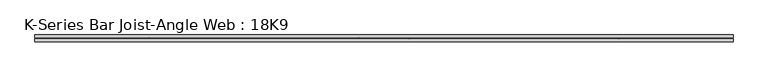
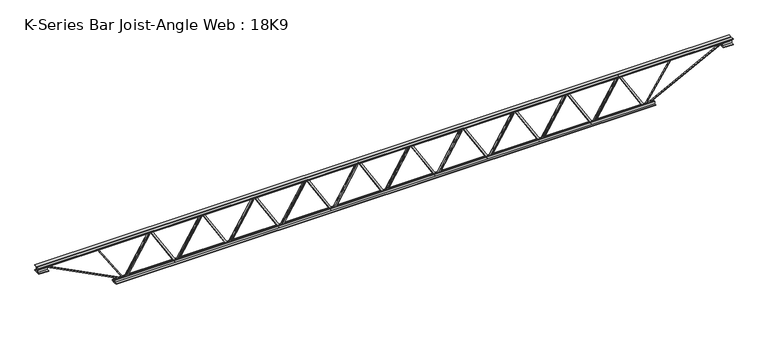
"""IFC4 building model written with IfcOpenShell, lengths in millimetres: beam geometry, K-Series Bar Joist-Angle Web : 18K9."""

from ifc_helpers import new_model, si_unit, frame, origin, place, context, project, spatial, polyline, outline, extrude, faceted_brep, source, transform, mapped, element, save


def k_series_bar_joist_angle_web_18k9_67f9cdf7(model_context):
    return source(origin(), model_context, "Body", "SolidModel", [
        extrude(outline(polyline([(-4.7625, 4.7625), (-4.7625, 0.0), (-17.4625, 0.0), (-17.4625, 4.7625), (-4.7625, 4.7625)])), frame((2161.6836943, 0.0, -190.5), z_axis=(-0.5181902126237499, 0.0, 0.8552653994760651), x_axis=(0.0, -1.0, 0.0)), (0.0, 0.0, 1.0), 445.4757555),
        extrude(outline(polyline([(-225.425, 2194.56), (-206.375, 2194.56), (-206.375, 2193.5758645), (225.425, 1931.9558645), (225.425, 1913.89), (206.375, 1913.89), (206.375, 1921.2241355), (-225.425, 2182.8441355), (-225.425, 2194.56)])), frame((0.0, 0.0, 0.0), z_axis=(0.0, 1.0, 0.0), x_axis=(0.0, 0.0, 1.0)), (0.0, 0.0, 1.0), 4.7625),
        faceted_brep([(1645.92, 0.0, -206.375), (1645.92, 0.0, -225.425), (1645.92, -4.7625, -225.425), (1645.92, -4.7625, -206.375), (1646.9041355, 0.0, -206.375), (1908.5241355, 0.0, 225.425), (1926.59, 0.0, 225.425), (1926.59, 0.0, 206.375), (1919.2558645, 0.0, 206.375), (1657.6358645, 0.0, -225.425), (1657.6358645, -4.7625, -225.425), (1678.7963057, -4.7625, -190.5), (1674.7231042, -4.7625, -188.0321191), (1905.5642807, -4.7625, 192.9678809), (1909.6374821, -4.7625, 190.5), (1919.2558645, -4.7625, 206.375), (1926.59, -4.7625, 206.375), (1926.59, -4.7625, 225.425), (1908.5241355, -4.7625, 225.425), (1646.9041355, -4.7625, -206.375), (1909.6374821, -17.4625, 190.5), (1678.7963057, -17.4625, -190.5), (1674.7231042, -17.4625, -188.0321191), (1905.5642807, -17.4625, 192.9678809)], [[[0, 1, 2, 3]], [[1, 0, 4, 5, 6, 7, 8, 9]], [[2, 1, 9, 10]], [[3, 2, 10, 11, 12, 13, 14, 15, 16, 17, 18, 19]], [[0, 3, 19, 4]], [[9, 8, 15, 14, 20, 21, 11, 10]], [[5, 4, 19, 18]], [[7, 6, 17, 16]], [[8, 7, 16, 15]], [[6, 5, 18, 17]], [[21, 22, 12, 11]], [[20, 14, 13, 23]], [[22, 21, 20, 23]], [[12, 22, 23, 13]]]),
        extrude(outline(polyline([(-4.7625, 4.7625), (-4.7625, 0.0), (-17.4625, 0.0), (-17.4625, 4.7625), (-4.7625, 4.7625)])), frame((1613.0436943, 0.0, -190.5), z_axis=(-0.5181902126237499, 0.0, 0.8552653994760651), x_axis=(0.0, -1.0, 0.0)), (0.0, 0.0, 1.0), 445.4757555),
        extrude(outline(polyline([(-225.425, 1645.92), (-206.375, 1645.92), (-206.375, 1644.9358645), (225.425, 1383.3158645), (225.425, 1365.25), (206.375, 1365.25), (206.375, 1372.5841355), (-225.425, 1634.2041355), (-225.425, 1645.92)])), frame((0.0, 0.0, 0.0), z_axis=(0.0, 1.0, 0.0), x_axis=(0.0, 0.0, 1.0)), (0.0, 0.0, 1.0), 4.7625),
        faceted_brep([(1097.28, 0.0, -206.375), (1097.28, 0.0, -225.425), (1097.28, -4.7625, -225.425), (1097.28, -4.7625, -206.375), (1098.2641355, 0.0, -206.375), (1359.8841355, 0.0, 225.425), (1377.95, 0.0, 225.425), (1377.95, 0.0, 206.375), (1370.6158645, 0.0, 206.375), (1108.9958645, 0.0, -225.425), (1108.9958645, -4.7625, -225.425), (1130.1563057, -4.7625, -190.5), (1126.0831042, -4.7625, -188.0321191), (1356.9242807, -4.7625, 192.9678809), (1360.9974821, -4.7625, 190.5), (1370.6158645, -4.7625, 206.375), (1377.95, -4.7625, 206.375), (1377.95, -4.7625, 225.425), (1359.8841355, -4.7625, 225.425), (1098.2641355, -4.7625, -206.375), (1360.9974821, -17.4625, 190.5), (1130.1563057, -17.4625, -190.5), (1126.0831042, -17.4625, -188.0321191), (1356.9242807, -17.4625, 192.9678809)], [[[0, 1, 2, 3]], [[1, 0, 4, 5, 6, 7, 8, 9]], [[2, 1, 9, 10]], [[3, 2, 10, 11, 12, 13, 14, 15, 16, 17, 18, 19]], [[0, 3, 19, 4]], [[9, 8, 15, 14, 20, 21, 11, 10]], [[5, 4, 19, 18]], [[7, 6, 17, 16]], [[8, 7, 16, 15]], [[6, 5, 18, 17]], [[21, 22, 12, 11]], [[20, 14, 13, 23]], [[22, 21, 20, 23]], [[12, 22, 23, 13]]]),
        extrude(outline(polyline([(-4.7625, 4.7625), (-4.7625, 0.0), (-17.4625, 0.0), (-17.4625, 4.7625), (-4.7625, 4.7625)])), frame((1064.4036943, 0.0, -190.5), z_axis=(-0.5181902126237499, 0.0, 0.8552653994760651), x_axis=(0.0, -1.0, 0.0)), (0.0, 0.0, 1.0), 445.4757555),
        extrude(outline(polyline([(-225.425, 1097.28), (-206.375, 1097.28), (-206.375, 1096.2958645), (225.425, 834.6758645), (225.425, 816.61), (206.375, 816.61), (206.375, 823.9441355), (-225.425, 1085.5641355), (-225.425, 1097.28)])), frame((0.0, 0.0, 0.0), z_axis=(0.0, 1.0, 0.0), x_axis=(0.0, 0.0, 1.0)), (0.0, 0.0, 1.0), 4.7625),
        faceted_brep([(548.64, 0.0, -206.375), (548.64, 0.0, -225.425), (548.64, -4.7625, -225.425), (548.64, -4.7625, -206.375), (549.6241355, 0.0, -206.375), (811.2441355, 0.0, 225.425), (829.31, 0.0, 225.425), (829.31, 0.0, 206.375), (821.9758645, 0.0, 206.375), (560.3558645, 0.0, -225.425), (560.3558645, -4.7625, -225.425), (581.5163057, -4.7625, -190.5), (577.4431042, -4.7625, -188.0321191), (808.2842807, -4.7625, 192.9678809), (812.3574821, -4.7625, 190.5), (821.9758645, -4.7625, 206.375), (829.31, -4.7625, 206.375), (829.31, -4.7625, 225.425), (811.2441355, -4.7625, 225.425), (549.6241355, -4.7625, -206.375), (812.3574821, -17.4625, 190.5), (581.5163057, -17.4625, -190.5), (577.4431042, -17.4625, -188.0321191), (808.2842807, -17.4625, 192.9678809)], [[[0, 1, 2, 3]], [[1, 0, 4, 5, 6, 7, 8, 9]], [[2, 1, 9, 10]], [[3, 2, 10, 11, 12, 13, 14, 15, 16, 17, 18, 19]], [[0, 3, 19, 4]], [[9, 8, 15, 14, 20, 21, 11, 10]], [[5, 4, 19, 18]], [[7, 6, 17, 16]], [[8, 7, 16, 15]], [[6, 5, 18, 17]], [[21, 22, 12, 11]], [[20, 14, 13, 23]], [[22, 21, 20, 23]], [[12, 22, 23, 13]]]),
        extrude(outline(polyline([(-4.7625, 4.7625), (-4.7625, 0.0), (-17.4625, 0.0), (-17.4625, 4.7625), (-4.7625, 4.7625)])), frame((515.7636943, 0.0, -190.5), z_axis=(-0.5181902126237499, 0.0, 0.8552653994760651), x_axis=(0.0, -1.0, 0.0)), (0.0, 0.0, 1.0), 445.4757555),
        extrude(outline(polyline([(-225.425, 548.64), (-206.375, 548.64), (-206.375, 547.6558645), (225.425, 286.0358645), (225.425, 267.97), (206.375, 267.97), (206.375, 275.3041355), (-225.425, 536.9241355), (-225.425, 548.64)])), frame((0.0, 0.0, 0.0), z_axis=(0.0, 1.0, 0.0), x_axis=(0.0, 0.0, 1.0)), (0.0, 0.0, 1.0), 4.7625),
        faceted_brep([(0.0, 0.0, -206.375), (0.0, 0.0, -225.425), (0.0, -4.7625, -225.425), (0.0, -4.7625, -206.375), (0.9841355, 0.0, -206.375), (262.6041355, 0.0, 225.425), (280.67, 0.0, 225.425), (280.67, 0.0, 206.375), (273.3358645, 0.0, 206.375), (11.7158645, 0.0, -225.425), (11.7158645, -4.7625, -225.425), (32.8763057, -4.7625, -190.5), (28.8031042, -4.7625, -188.0321191), (259.6442807, -4.7625, 192.9678809), (263.7174821, -4.7625, 190.5), (273.3358645, -4.7625, 206.375), (280.67, -4.7625, 206.375), (280.67, -4.7625, 225.425), (262.6041355, -4.7625, 225.425), (0.9841355, -4.7625, -206.375), (263.7174821, -17.4625, 190.5), (32.8763057, -17.4625, -190.5), (28.8031042, -17.4625, -188.0321191), (259.6442807, -17.4625, 192.9678809)], [[[0, 1, 2, 3]], [[1, 0, 4, 5, 6, 7, 8, 9]], [[2, 1, 9, 10]], [[3, 2, 10, 11, 12, 13, 14, 15, 16, 17, 18, 19]], [[0, 3, 19, 4]], [[9, 8, 15, 14, 20, 21, 11, 10]], [[5, 4, 19, 18]], [[7, 6, 17, 16]], [[8, 7, 16, 15]], [[6, 5, 18, 17]], [[21, 22, 12, 11]], [[20, 14, 13, 23]], [[22, 21, 20, 23]], [[12, 22, 23, 13]]]),
        extrude(outline(polyline([(-4.7625, 4.7625), (-4.7625, 0.0), (-17.4625, 0.0), (-17.4625, 4.7625), (-4.7625, 4.7625)])), frame((-32.8763057, 0.0, -190.5), z_axis=(-0.5181902126237499, 0.0, 0.8552653994760651), x_axis=(0.0, -1.0, 0.0)), (0.0, 0.0, 1.0), 445.4757555),
        extrude(outline(polyline([(-225.425, 0.0), (-206.375, 0.0), (-206.375, -0.9841355), (225.425, -262.6041355), (225.425, -280.67), (206.375, -280.67), (206.375, -273.3358645), (-225.425, -11.7158645), (-225.425, 0.0)])), frame((0.0, 0.0, 0.0), z_axis=(0.0, 1.0, 0.0), x_axis=(0.0, 0.0, 1.0)), (0.0, 0.0, 1.0), 4.7625),
        faceted_brep([(-548.64, 0.0, -206.375), (-548.64, 0.0, -225.425), (-548.64, -4.7625, -225.425), (-548.64, -4.7625, -206.375), (-547.6558645, 0.0, -206.375), (-286.0358645, 0.0, 225.425), (-267.97, 0.0, 225.425), (-267.97, 0.0, 206.375), (-275.3041355, 0.0, 206.375), (-536.9241355, 0.0, -225.425), (-536.9241355, -4.7625, -225.425), (-515.7636943, -4.7625, -190.5), (-519.8368958, -4.7625, -188.0321191), (-288.9957193, -4.7625, 192.9678809), (-284.9225179, -4.7625, 190.5), (-275.3041355, -4.7625, 206.375), (-267.97, -4.7625, 206.375), (-267.97, -4.7625, 225.425), (-286.0358645, -4.7625, 225.425), (-547.6558645, -4.7625, -206.375), (-284.9225179, -17.4625, 190.5), (-515.7636943, -17.4625, -190.5), (-519.8368958, -17.4625, -188.0321191), (-288.9957193, -17.4625, 192.9678809)], [[[0, 1, 2, 3]], [[1, 0, 4, 5, 6, 7, 8, 9]], [[2, 1, 9, 10]], [[3, 2, 10, 11, 12, 13, 14, 15, 16, 17, 18, 19]], [[0, 3, 19, 4]], [[9, 8, 15, 14, 20, 21, 11, 10]], [[5, 4, 19, 18]], [[7, 6, 17, 16]], [[8, 7, 16, 15]], [[6, 5, 18, 17]], [[21, 22, 12, 11]], [[20, 14, 13, 23]], [[22, 21, 20, 23]], [[12, 22, 23, 13]]]),
        extrude(outline(polyline([(-4.7625, 4.7625), (-4.7625, 0.0), (-17.4625, 0.0), (-17.4625, 4.7625), (-4.7625, 4.7625)])), frame((-581.5163057, 0.0, -190.5), z_axis=(-0.5181902126237499, 0.0, 0.8552653994760651), x_axis=(0.0, -1.0, 0.0)), (0.0, 0.0, 1.0), 445.4757555),
        extrude(outline(polyline([(-225.425, -548.64), (-206.375, -548.64), (-206.375, -549.6241355), (225.425, -811.2441355), (225.425, -829.31), (206.375, -829.31), (206.375, -821.9758645), (-225.425, -560.3558645), (-225.425, -548.64)])), frame((0.0, 0.0, 0.0), z_axis=(0.0, 1.0, 0.0), x_axis=(0.0, 0.0, 1.0)), (0.0, 0.0, 1.0), 4.7625),
        faceted_brep([(-1097.28, 0.0, -206.375), (-1097.28, 0.0, -225.425), (-1097.28, -4.7625, -225.425), (-1097.28, -4.7625, -206.375), (-1096.2958645, 0.0, -206.375), (-834.6758645, 0.0, 225.425), (-816.61, 0.0, 225.425), (-816.61, 0.0, 206.375), (-823.9441355, 0.0, 206.375), (-1085.5641355, 0.0, -225.425), (-1085.5641355, -4.7625, -225.425), (-1064.4036943, -4.7625, -190.5), (-1068.4768958, -4.7625, -188.0321191), (-837.6357193, -4.7625, 192.9678809), (-833.5625179, -4.7625, 190.5), (-823.9441355, -4.7625, 206.375), (-816.61, -4.7625, 206.375), (-816.61, -4.7625, 225.425), (-834.6758645, -4.7625, 225.425), (-1096.2958645, -4.7625, -206.375), (-833.5625179, -17.4625, 190.5), (-1064.4036943, -17.4625, -190.5), (-1068.4768958, -17.4625, -188.0321191), (-837.6357193, -17.4625, 192.9678809)], [[[0, 1, 2, 3]], [[1, 0, 4, 5, 6, 7, 8, 9]], [[2, 1, 9, 10]], [[3, 2, 10, 11, 12, 13, 14, 15, 16, 17, 18, 19]], [[0, 3, 19, 4]], [[9, 8, 15, 14, 20, 21, 11, 10]], [[5, 4, 19, 18]], [[7, 6, 17, 16]], [[8, 7, 16, 15]], [[6, 5, 18, 17]], [[21, 22, 12, 11]], [[20, 14, 13, 23]], [[22, 21, 20, 23]], [[12, 22, 23, 13]]]),
        extrude(outline(polyline([(-4.7625, 4.7625), (-4.7625, 0.0), (-17.4625, 0.0), (-17.4625, 4.7625), (-4.7625, 4.7625)])), frame((-1130.1563057, 0.0, -190.5), z_axis=(-0.5181902126237499, 0.0, 0.8552653994760651), x_axis=(0.0, -1.0, 0.0)), (0.0, 0.0, 1.0), 445.4757555),
        extrude(outline(polyline([(-225.425, -1097.28), (-206.375, -1097.28), (-206.375, -1098.2641355), (225.425, -1359.8841355), (225.425, -1377.95), (206.375, -1377.95), (206.375, -1370.6158645), (-225.425, -1108.9958645), (-225.425, -1097.28)])), frame((0.0, 0.0, 0.0), z_axis=(0.0, 1.0, 0.0), x_axis=(0.0, 0.0, 1.0)), (0.0, 0.0, 1.0), 4.7625),
        faceted_brep([(-1645.92, 0.0, -206.375), (-1645.92, 0.0, -225.425), (-1645.92, -4.7625, -225.425), (-1645.92, -4.7625, -206.375), (-1644.9358645, 0.0, -206.375), (-1383.3158645, 0.0, 225.425), (-1365.25, 0.0, 225.425), (-1365.25, 0.0, 206.375), (-1372.5841355, 0.0, 206.375), (-1634.2041355, 0.0, -225.425), (-1634.2041355, -4.7625, -225.425), (-1613.0436943, -4.7625, -190.5), (-1617.1168958, -4.7625, -188.0321191), (-1386.2757193, -4.7625, 192.9678809), (-1382.2025179, -4.7625, 190.5), (-1372.5841355, -4.7625, 206.375), (-1365.25, -4.7625, 206.375), (-1365.25, -4.7625, 225.425), (-1383.3158645, -4.7625, 225.425), (-1644.9358645, -4.7625, -206.375), (-1382.2025179, -17.4625, 190.5), (-1613.0436943, -17.4625, -190.5), (-1617.1168958, -17.4625, -188.0321191), (-1386.2757193, -17.4625, 192.9678809)], [[[0, 1, 2, 3]], [[1, 0, 4, 5, 6, 7, 8, 9]], [[2, 1, 9, 10]], [[3, 2, 10, 11, 12, 13, 14, 15, 16, 17, 18, 19]], [[0, 3, 19, 4]], [[9, 8, 15, 14, 20, 21, 11, 10]], [[5, 4, 19, 18]], [[7, 6, 17, 16]], [[8, 7, 16, 15]], [[6, 5, 18, 17]], [[21, 22, 12, 11]], [[20, 14, 13, 23]], [[22, 21, 20, 23]], [[12, 22, 23, 13]]]),
        extrude(outline(polyline([(-4.7625, 4.7625), (-4.7625, 0.0), (-17.4625, 0.0), (-17.4625, 4.7625), (-4.7625, 4.7625)])), frame((-1678.7963057, 0.0, -190.5), z_axis=(-0.5181902126237499, 0.0, 0.8552653994760651), x_axis=(0.0, -1.0, 0.0)), (0.0, 0.0, 1.0), 445.4757555),
        extrude(outline(polyline([(-225.425, -1645.92), (-206.375, -1645.92), (-206.375, -1646.9041355), (225.425, -1908.5241355), (225.425, -1926.59), (206.375, -1926.59), (206.375, -1919.2558645), (-225.425, -1657.6358645), (-225.425, -1645.92)])), frame((0.0, 0.0, 0.0), z_axis=(0.0, 1.0, 0.0), x_axis=(0.0, 0.0, 1.0)), (0.0, 0.0, 1.0), 4.7625),
        faceted_brep([(-2194.56, 0.0, -206.375), (-2194.56, 0.0, -225.425), (-2194.56, -4.7625, -225.425), (-2194.56, -4.7625, -206.375), (-2193.5758645, 0.0, -206.375), (-1931.9558645, 0.0, 225.425), (-1913.89, 0.0, 225.425), (-1913.89, 0.0, 206.375), (-1921.2241355, 0.0, 206.375), (-2182.8441355, 0.0, -225.425), (-2182.8441355, -4.7625, -225.425), (-2161.6836943, -4.7625, -190.5), (-2165.7568958, -4.7625, -188.0321191), (-1934.9157193, -4.7625, 192.9678809), (-1930.8425179, -4.7625, 190.5), (-1921.2241355, -4.7625, 206.375), (-1913.89, -4.7625, 206.375), (-1913.89, -4.7625, 225.425), (-1931.9558645, -4.7625, 225.425), (-2193.5758645, -4.7625, -206.375), (-1930.8425179, -17.4625, 190.5), (-2161.6836943, -17.4625, -190.5), (-2165.7568958, -17.4625, -188.0321191), (-1934.9157193, -17.4625, 192.9678809)], [[[0, 1, 2, 3]], [[1, 0, 4, 5, 6, 7, 8, 9]], [[2, 1, 9, 10]], [[3, 2, 10, 11, 12, 13, 14, 15, 16, 17, 18, 19]], [[0, 3, 19, 4]], [[9, 8, 15, 14, 20, 21, 11, 10]], [[5, 4, 19, 18]], [[7, 6, 17, 16]], [[8, 7, 16, 15]], [[6, 5, 18, 17]], [[21, 22, 12, 11]], [[20, 14, 13, 23]], [[22, 21, 20, 23]], [[12, 22, 23, 13]]]),
        extrude(outline(polyline([(-4.7625, 4.7625), (-4.7625, 0.0), (-17.4625, 0.0), (-17.4625, 4.7625), (-4.7625, 4.7625)])), frame((2710.3236943, 0.0, -190.5), z_axis=(-0.5181902126237499, 0.0, 0.8552653994760651), x_axis=(0.0, -1.0, 0.0)), (0.0, 0.0, 1.0), 445.4757555),
        extrude(outline(polyline([(-225.425, 2743.2), (-206.375, 2743.2), (-206.375, 2742.2158645), (225.425, 2480.5958645), (225.425, 2462.53), (206.375, 2462.53), (206.375, 2469.8641355), (-225.425, 2731.4841355), (-225.425, 2743.2)])), frame((0.0, 0.0, 0.0), z_axis=(0.0, 1.0, 0.0), x_axis=(0.0, 0.0, 1.0)), (0.0, 0.0, 1.0), 4.7625),
        faceted_brep([(2194.56, 0.0, -206.375), (2194.56, 0.0, -225.425), (2194.56, -4.7625, -225.425), (2194.56, -4.7625, -206.375), (2195.5441355, 0.0, -206.375), (2457.1641355, 0.0, 225.425), (2475.23, 0.0, 225.425), (2475.23, 0.0, 206.375), (2467.8958645, 0.0, 206.375), (2206.2758645, 0.0, -225.425), (2206.2758645, -4.7625, -225.425), (2227.4363057, -4.7625, -190.5), (2223.3631042, -4.7625, -188.0321191), (2454.2042807, -4.7625, 192.9678809), (2458.2774821, -4.7625, 190.5), (2467.8958645, -4.7625, 206.375), (2475.23, -4.7625, 206.375), (2475.23, -4.7625, 225.425), (2457.1641355, -4.7625, 225.425), (2195.5441355, -4.7625, -206.375), (2458.2774821, -17.4625, 190.5), (2227.4363057, -17.4625, -190.5), (2223.3631042, -17.4625, -188.0321191), (2454.2042807, -17.4625, 192.9678809)], [[[0, 1, 2, 3]], [[1, 0, 4, 5, 6, 7, 8, 9]], [[2, 1, 9, 10]], [[3, 2, 10, 11, 12, 13, 14, 15, 16, 17, 18, 19]], [[0, 3, 19, 4]], [[9, 8, 15, 14, 20, 21, 11, 10]], [[5, 4, 19, 18]], [[7, 6, 17, 16]], [[8, 7, 16, 15]], [[6, 5, 18, 17]], [[21, 22, 12, 11]], [[20, 14, 13, 23]], [[22, 21, 20, 23]], [[12, 22, 23, 13]]]),
        extrude(outline(polyline([(-4.7625, 4.7625), (-4.7625, 0.0), (-17.4625, 0.0), (-17.4625, 4.7625), (-4.7625, 4.7625)])), frame((-2227.4363057, 0.0, -190.5), z_axis=(-0.5181902126237499, 0.0, 0.8552653994760651), x_axis=(0.0, -1.0, 0.0)), (0.0, 0.0, 1.0), 445.4757555),
        extrude(outline(polyline([(-225.425, -2194.56), (-206.375, -2194.56), (-206.375, -2195.5441355), (225.425, -2457.1641355), (225.425, -2475.23), (206.375, -2475.23), (206.375, -2467.8958645), (-225.425, -2206.2758645), (-225.425, -2194.56)])), frame((0.0, 0.0, 0.0), z_axis=(0.0, 1.0, 0.0), x_axis=(0.0, 0.0, 1.0)), (0.0, 0.0, 1.0), 4.7625),
        faceted_brep([(-2743.2, 0.0, -206.375), (-2743.2, 0.0, -225.425), (-2743.2, -4.7625, -225.425), (-2743.2, -4.7625, -206.375), (-2742.2158645, 0.0, -206.375), (-2480.5958645, 0.0, 225.425), (-2462.53, 0.0, 225.425), (-2462.53, 0.0, 206.375), (-2469.8641355, 0.0, 206.375), (-2731.4841355, 0.0, -225.425), (-2731.4841355, -4.7625, -225.425), (-2710.3236943, -4.7625, -190.5), (-2714.3968958, -4.7625, -188.0321191), (-2483.5557193, -4.7625, 192.9678809), (-2479.4825179, -4.7625, 190.5), (-2469.8641355, -4.7625, 206.375), (-2462.53, -4.7625, 206.375), (-2462.53, -4.7625, 225.425), (-2480.5958645, -4.7625, 225.425), (-2742.2158645, -4.7625, -206.375), (-2479.4825179, -17.4625, 190.5), (-2710.3236943, -17.4625, -190.5), (-2714.3968958, -17.4625, -188.0321191), (-2483.5557193, -17.4625, 192.9678809)], [[[0, 1, 2, 3]], [[1, 0, 4, 5, 6, 7, 8, 9]], [[2, 1, 9, 10]], [[3, 2, 10, 11, 12, 13, 14, 15, 16, 17, 18, 19]], [[0, 3, 19, 4]], [[9, 8, 15, 14, 20, 21, 11, 10]], [[5, 4, 19, 18]], [[7, 6, 17, 16]], [[8, 7, 16, 15]], [[6, 5, 18, 17]], [[21, 22, 12, 11]], [[20, 14, 13, 23]], [[22, 21, 20, 23]], [[12, 22, 23, 13]]]),
        extrude(outline(polyline([(4.7625, 228.6), (36.5125, 228.6), (36.5125, 222.25), (11.1125, 222.25), (11.1125, 196.85), (4.7625, 196.85), (4.7625, 228.6)])), frame((-3657.6, 0.0, 0.0), z_axis=(1.0, 0.0, 0.0), x_axis=(0.0, 1.0, 0.0)), (0.0, 0.0, 1.0), 7315.2),
        extrude(outline(polyline([(-4.7625, 228.6), (-4.7625, 196.85), (-11.1125, 196.85), (-11.1125, 222.25), (-36.5125, 222.25), (-36.5125, 228.6), (-4.7625, 228.6)])), frame((-3657.6, 0.0, 0.0), z_axis=(1.0, 0.0, 0.0), x_axis=(0.0, 1.0, 0.0)), (0.0, 0.0, 1.0), 7315.2),
        extrude(outline(polyline([(-4.7625, 165.1), (-36.5125, 165.1), (-36.5125, 171.45), (-11.1125, 171.45), (-11.1125, 196.85), (-4.7625, 196.85), (-4.7625, 165.1)])), frame((-3657.6, 0.0, 0.0), z_axis=(1.0, 0.0, 0.0), x_axis=(0.0, 1.0, 0.0)), (0.0, 0.0, 1.0), 101.6),
        extrude(outline(polyline([(36.5125, 165.1), (4.7625, 165.1), (4.7625, 196.85), (11.1125, 196.85), (11.1125, 171.45), (36.5125, 171.45), (36.5125, 165.1)])), frame((-3657.6, 0.0, 0.0), z_axis=(1.0, 0.0, 0.0), x_axis=(0.0, 1.0, 0.0)), (0.0, 0.0, 1.0), 101.6),
        extrude(outline(polyline([(4.7625, 165.1), (4.7625, 196.85), (11.1125, 196.85), (11.1125, 171.45), (36.5125, 171.45), (36.5125, 165.1), (4.7625, 165.1)])), frame((3556.0, 0.0, 0.0), z_axis=(1.0, 0.0, 0.0), x_axis=(0.0, 1.0, 0.0)), (0.0, 0.0, 1.0), 101.6),
        extrude(outline(polyline([(-4.7625, 165.1), (-36.5125, 165.1), (-36.5125, 171.45), (-11.1125, 171.45), (-11.1125, 196.85), (-4.7625, 196.85), (-4.7625, 165.1)])), frame((3556.0, 0.0, 0.0), z_axis=(1.0, 0.0, 0.0), x_axis=(0.0, 1.0, 0.0)), (0.0, 0.0, 1.0), 101.6),
        extrude(outline(polyline([(4.7625, -228.6), (4.7625, -196.85), (11.1125, -196.85), (11.1125, -222.25), (36.5125, -222.25), (36.5125, -228.6), (4.7625, -228.6)])), frame((-2844.8, 0.0, 0.0), z_axis=(1.0, 0.0, 0.0), x_axis=(0.0, 1.0, 0.0)), (0.0, 0.0, 1.0), 5689.6),
        extrude(outline(polyline([(-4.7625, -228.6), (-36.5125, -228.6), (-36.5125, -222.25), (-11.1125, -222.25), (-11.1125, -196.85), (-4.7625, -196.85), (-4.7625, -228.6)])), frame((-2844.8, 0.0, 0.0), z_axis=(1.0, 0.0, 0.0), x_axis=(0.0, 1.0, 0.0)), (0.0, 0.0, 1.0), 5689.6),
        extrude(outline(polyline([(4.7625, 4.7625), (4.7625, -4.7625), (-4.7625, -4.7625), (-4.7625, 4.7625), (4.7625, 4.7625)])), frame((2743.2, 0.0, -222.25), z_axis=(0.5476591746947971, 0.0, 0.8367015168939361), x_axis=(0.0, -1.0, 0.0)), (0.0, 0.0, 1.0), 500.8954705),
        extrude(outline(polyline([(4.7625, 4.7625), (4.7625, -4.7625), (-4.7625, -4.7625), (-4.7625, 4.7625), (4.7625, 4.7625)])), frame((-2743.2, 0.0, -222.25), z_axis=(-0.5476591746947825, 0.0, 0.8367015168939458), x_axis=(0.0, -1.0, 0.0)), (0.0, 0.0, 1.0), 500.8954705),
        extrude(outline(polyline([(0.0, -9.525), (0.0, 0.0), (914.4881902, 0.0), (914.4881902, -9.525), (0.0, -9.525)])), frame((3558.182602, -4.7625, 192.6170749), z_axis=(-0.4582891331946202, 0.0, 0.8888031674086923), x_axis=(-0.8888031674086923, 0.0, -0.4582891331946202)), (0.0, 0.0, 1.0), 9.525),
        extrude(outline(polyline([(0.0, -9.525), (0.0, 0.0), (914.4881902, 0.0), (914.4881902, -9.525), (0.0, -9.525)])), frame((-3558.182602, 4.7625, 192.6170749), z_axis=(0.458289133194619, 0.0, 0.8888031674086928), x_axis=(0.8888031674086928, 0.0, -0.458289133194619)), (0.0, 0.0, 1.0), 9.525),
    ])


if __name__ == "__main__":
    model = new_model("IFC4")
    model_context = context("Model", 3, world=origin())
    ifc_project = project(units=[si_unit("LENGTHUNIT", "METRE", prefix="MILLI")], contexts=[model_context])
    site = spatial("IfcSite", under=ifc_project)
    building = spatial("IfcBuilding", under=site)
    placement = place(None, origin())
    k_series_bar_joist_angle_web_18k9_shape = k_series_bar_joist_angle_web_18k9_67f9cdf7(model_context)
    element("IfcBeam", 1, ObjectType="K-Series Bar Joist-Angle Web : 18K9", at=placement, inside=building, context=model_context, shape_type="MappedRepresentation", body=[
        mapped(k_series_bar_joist_angle_web_18k9_shape, transform((0.0, 0.0, 0.0), x_axis=(1.0, 0.0, 0.0), y_axis=(0.0, 1.0, 0.0), z_axis=(0.0, 0.0, 1.0))),
    ])
    save(model, "model.ifc")
